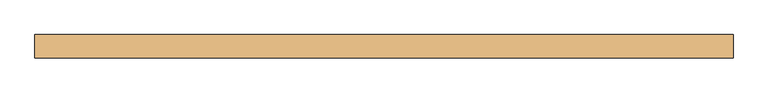
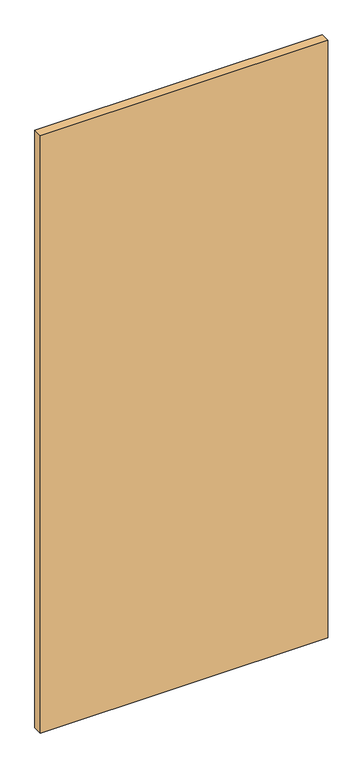
"""IFC4 building model written with IfcOpenShell, lengths in millimetres: door geometry."""

from ifc_helpers import new_model, si_unit, frame, origin, place, context, project, spatial, polyline, outline, extrude, source, transform, mapped, element, save


def door_1e83930c(model_context):
    return source(origin(), model_context, "Body", "SweptSolid", [
        extrude(outline(polyline([(600.0, 20.0), (600.0, -20.0), (-600.0, -20.0), (-600.0, 20.0), (600.0, 20.0)])), frame((0.0, 0.0, 10.0), z_axis=(0.0, 0.0, 1.0), x_axis=(1.0, 0.0, 0.0)), (0.0, 0.0, 1.0), 2636.0),
    ])


if __name__ == "__main__":
    model = new_model("IFC4")
    model_context = context("Model", 3, world=origin())
    ifc_project = project(units=[si_unit("LENGTHUNIT", "METRE", prefix="MILLI")], contexts=[model_context])
    site = spatial("IfcSite", under=ifc_project)
    building = spatial("IfcBuilding", under=site)
    placement = place(None, origin())
    door_shape = door_1e83930c(model_context)
    element("IfcDoor", 1, at=placement, inside=building, context=model_context, shape_type="MappedRepresentation", body=[
        mapped(door_shape, transform((0.0, 0.0, 0.0), x_axis=(1.0, 0.0, 0.0), y_axis=(0.0, 1.0, 0.0), z_axis=(0.0, 0.0, 1.0))),
    ])
    save(model, "model.ifc")
